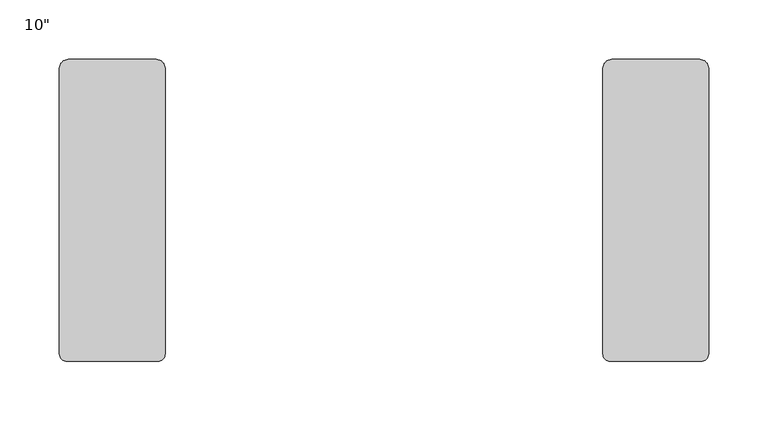
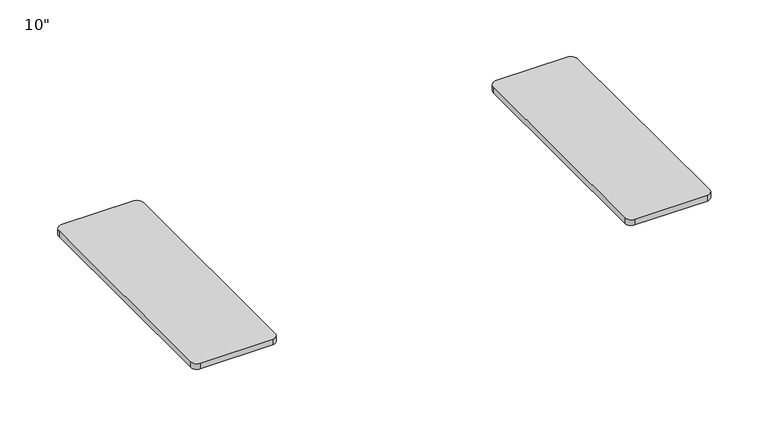
"""IFC4 building model written with IfcOpenShell, lengths in millimetres: furniture geometry."""

from ifc_helpers import new_model, si_unit, point, frame, frame_2d, origin, place, context, project, spatial, polyline, circle_curve, trimmed, segment, composite_curve, outline, extrude, source, transform, mapped, element, save


def furniture_04a7acef(model_context):
    return source(origin(), model_context, "Body", "SweptSolid", [
        extrude(outline(composite_curve([segment(polyline([(457.2, -247.65), (457.2, -7.62)]), True, "CONTINUOUS"), segment(trimmed(circle_curve(frame_2d((464.82, -7.62)), 7.62), [point((457.2, -7.62))], [point((464.82, 0.0))], False, "CARTESIAN"), True, "CONTINUOUS"), segment(polyline([(464.82, 0.0), (538.480002, 0.0)]), True, "CONTINUOUS"), segment(trimmed(circle_curve(frame_2d((538.480002, -7.62)), 7.62), [point((538.480002, 0.0))], [point((546.100002, -7.62))], False, "CARTESIAN"), True, "CONTINUOUS"), segment(polyline([(546.100002, -7.62), (546.100002, -247.65)]), True, "CONTINUOUS"), segment(trimmed(circle_curve(frame_2d((539.750002, -247.65)), 6.35), [point((546.100002, -247.65))], [point((539.750002, -254.0))], False, "CARTESIAN"), True, "CONTINUOUS"), segment(polyline([(539.750002, -254.0), (463.55, -254.0)]), True, "CONTINUOUS"), segment(trimmed(circle_curve(frame_2d((463.55, -247.65)), 6.35), [point((463.55, -254.0))], [point((457.2, -247.65))], False, "CARTESIAN"), True, "CONTINUOUS")], self_intersect=False)), frame((0.0, 0.0, 908.05), z_axis=(0.0, 0.0, 1.0), x_axis=(1.0, 0.0, 0.0)), (0.0, 0.0, 1.0), 6.35),
        extrude(outline(composite_curve([segment(polyline([(0.0, -247.65), (0.0, -7.62)]), True, "CONTINUOUS"), segment(trimmed(circle_curve(frame_2d((7.62, -7.62)), 7.62), [point((0.0, -7.62))], [point((7.62, 0.0))], False, "CARTESIAN"), True, "CONTINUOUS"), segment(polyline([(7.62, 0.0), (81.280002, 0.0)]), True, "CONTINUOUS"), segment(trimmed(circle_curve(frame_2d((81.280002, -7.62)), 7.62), [point((81.280002, 0.0))], [point((88.900002, -7.62))], False, "CARTESIAN"), True, "CONTINUOUS"), segment(polyline([(88.900002, -7.62), (88.900002, -247.65)]), True, "CONTINUOUS"), segment(trimmed(circle_curve(frame_2d((82.550002, -247.65)), 6.35), [point((88.900002, -247.65))], [point((82.550002, -254.0))], False, "CARTESIAN"), True, "CONTINUOUS"), segment(polyline([(82.550002, -254.0), (6.35, -254.0)]), True, "CONTINUOUS"), segment(trimmed(circle_curve(frame_2d((6.35, -247.65)), 6.35), [point((6.35, -254.0))], [point((0.0, -247.65))], False, "CARTESIAN"), True, "CONTINUOUS")], self_intersect=False)), frame((0.0, 0.0, 908.05), z_axis=(0.0, 0.0, 1.0), x_axis=(1.0, 0.0, 0.0)), (0.0, 0.0, 1.0), 6.35),
    ])


if __name__ == "__main__":
    model = new_model("IFC4")
    model_context = context("Model", 3, world=origin())
    ifc_project = project(units=[si_unit("LENGTHUNIT", "METRE", prefix="MILLI")], contexts=[model_context])
    site = spatial("IfcSite", under=ifc_project)
    building = spatial("IfcBuilding", under=site)
    placement = place(None, origin())
    furniture_shape = furniture_04a7acef(model_context)
    element("IfcFurniture", 1, ObjectType="10\"", at=placement, inside=building, context=model_context, shape_type="MappedRepresentation", body=[
        mapped(furniture_shape, transform((0.0, 0.0, 0.0), x_axis=(1.0, 0.0, 0.0), y_axis=(0.0, 1.0, 0.0), z_axis=(0.0, 0.0, 1.0))),
    ])
    save(model, "model.ifc")
